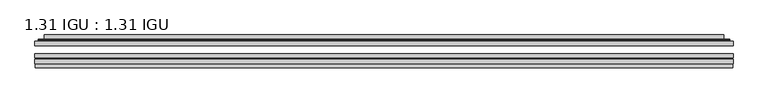
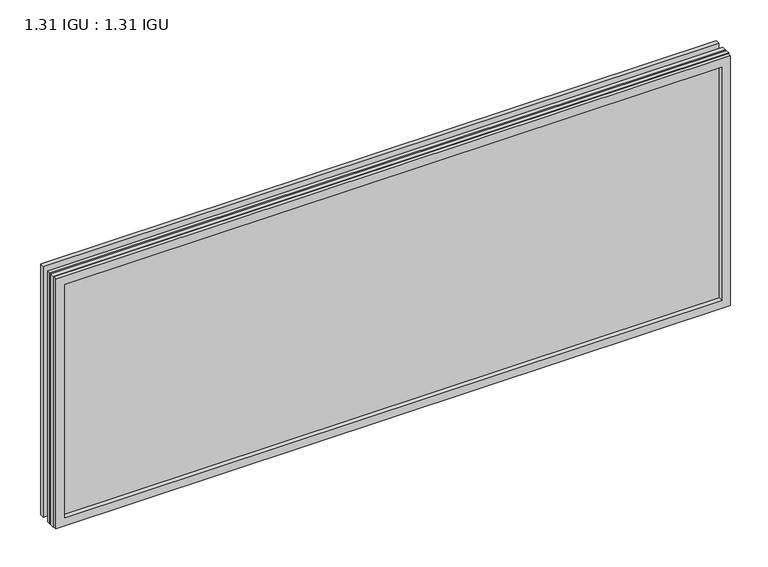
"""IFC4 building model written with IfcOpenShell, lengths in millimetres: plate geometry, 1.31 IGU : 1.31 IGU."""

from ifc_helpers import new_model, si_unit, frame, origin, place, context, project, spatial, polyline, ellipse_curve, outline, extrude, faceted_brep, source, transform, mapped, element, save
from ifc_brep_helpers import plane_surface, cylinder_surface, advanced_brep


def plate_1_31_igu_1_31_igu_0f397268(model_context):
    return source(origin(), model_context, "Body", "SolidModel", [
        extrude(outline(polyline([(525.4769462, -63.59525), (525.4769462, -69.94525), (-525.4627713, -69.94525), (-525.4627713, -63.59525), (525.4769462, -63.59525)])), frame((0.0, 0.0, -14.2875), z_axis=(0.0, 0.0, 1.0), x_axis=(1.0, 0.0, 0.0)), (0.0, 0.0, 1.0), 412.7537979),
        extrude(outline(polyline([(-525.4627713, -78.58125), (-525.4627713, -72.230745), (525.4769462, -72.230745), (525.4769462, -78.58125), (-525.4627713, -78.58125)])), frame((0.0, 0.0, -14.2875), z_axis=(0.0, 0.0, 1.0), x_axis=(1.0, 0.0, 0.0)), (0.0, 0.0, 1.0), 412.7537979),
        extrude(outline(polyline([(525.4769462, -45.25645), (525.4769462, -51.60645), (-525.4627713, -51.60645), (-525.4627713, -45.25645), (525.4769462, -45.25645)])), frame((0.0, 0.0, -14.2875), z_axis=(0.0, 0.0, 1.0), x_axis=(1.0, 0.0, 0.0)), (0.0, 0.0, 1.0), 412.7537979),
        faceted_brep([(-524.7625855, -84.93125, 397.7623142), (-524.7625855, -78.58125, 397.7623142), (-524.7625855, -78.58125, -13.5873142), (-524.7625855, -84.93125, -13.5873142), (524.7625855, -78.58125, -13.5873142), (524.7625855, -84.93125, -13.5873142), (524.7625855, -78.58125, 397.7623142), (524.7625855, -84.93125, 397.7623142), (-510.2775272, -78.58125, 0.8977441), (510.2775272, -78.58125, 0.8977441), (510.2775272, -78.58125, 383.2772559), (-510.2775272, -78.58125, 383.2772559), (-511.1699615, -84.93125, 384.1696902), (511.1699615, -84.93125, 384.1696902), (511.1699615, -84.93125, 0.0053098), (-511.1699615, -84.93125, 0.0053098)], [[[0, 1, 2, 3]], [[3, 2, 4, 5]], [[5, 4, 6, 7]], [[1, 6, 4, 2], [8, 9, 10, 11]], [[7, 6, 1, 0]], [[3, 5, 7, 0], [12, 13, 14, 15]], [[11, 12, 15, 8]], [[8, 15, 14, 9]], [[9, 14, 13, 10]], [[10, 13, 12, 11]]]),
        advanced_brep(
        [(-518.2214903, -45.25645, 391.2212191), (-520.5756957, -43.2667833, 393.5754244), (-520.5756957, -43.2667833, -9.4004244), (-518.2214903, -45.25645, -7.046219), (-509.1471652, -41.416413, 382.1468939), (-504.2123334, -45.25645, 377.2120621), (-504.2123334, -45.25645, 6.9629379), (-509.1471652, -41.416413, 2.0281061), (-510.1791929, -36.0191819, 383.1789217), (-510.1791929, -36.0191819, 0.9960783), (-511.1698497, -35.6202069, 384.1695784), (-511.1698497, -35.6202069, 0.0054216), (-511.1698497, -42.08145, 384.1695784), (-511.1698497, -42.08145, 0.0054216), (-519.5739062, -42.08145, 392.5736349), (-519.5739062, -42.08145, -8.3986349), (520.5756957, -43.2667833, -9.4004244), (518.2214903, -45.25645, -7.046219), (504.2123334, -45.25645, 6.9629379), (509.1471652, -41.416413, 2.0281061), (510.1791929, -36.0191819, 0.9960783), (511.1698497, -35.6202069, 0.0054216), (511.1698497, -42.08145, 0.0054216), (519.5739062, -42.08145, -8.3986349), (520.5756957, -43.2667833, 393.5754244), (518.2214903, -45.25645, 391.2212191), (504.2123334, -45.25645, 377.2120621), (509.1471652, -41.416413, 382.1468939), (510.1791929, -36.0191819, 383.1789217), (511.1698497, -35.6202069, 384.1695784), (511.1698497, -42.08145, 384.1695784), (519.5739062, -42.08145, 392.5736349)],
        [
            (0, 1, ellipse_curve(frame((-518.2214903, -42.86885, 391.2212191), z_axis=(-0.7071067811865475, 0.0, -0.7071067811865475), x_axis=(-0.7071067811865474, 0.0, 0.7071067811865476)), 3.3765763, 2.3876)),
            (1, 2),
            (2, 3, ellipse_curve(frame((-518.2214903, -42.86885, -7.046219), z_axis=(-0.7071067811865475, 0.0, 0.7071067811865475), x_axis=(0.7071067811865474, 0.0, 0.7071067811865476)), 3.3765763, 2.3876)),
            (3, 0),
            (4, 5),
            (5, 6),
            (6, 7),
            (7, 4),
            (8, 4),
            (7, 9),
            (9, 8),
            (10, 8, ellipse_curve(frame((-510.8028931, -36.1384423, 383.8026219), z_axis=(-0.7071067811865475, 0.0, -0.7071067811865475), x_axis=(-0.7071067811865474, 0.0, 0.7071067811865476)), 0.8980256, 0.635)),
            (9, 11, ellipse_curve(frame((-510.8028931, -36.1384423, 0.3723781), z_axis=(-0.7071067811865475, 0.0, 0.7071067811865475), x_axis=(0.7071067811865474, 0.0, 0.7071067811865476)), 0.8980256, 0.635)),
            (11, 10),
            (12, 10),
            (11, 13),
            (13, 12),
            (1, 14, ellipse_curve(frame((-519.5739062, -43.09745, 392.5736349), z_axis=(-0.7071067811865475, 0.0, -0.7071067811865475), x_axis=(-0.7071067811865474, 0.0, 0.7071067811865476)), 1.436841, 1.016)),
            (14, 15),
            (15, 2, ellipse_curve(frame((-519.5739062, -43.09745, -8.3986349), z_axis=(-0.7071067811865475, 0.0, 0.7071067811865475), x_axis=(0.7071067811865474, 0.0, 0.7071067811865476)), 1.436841, 1.016)),
            (2, 16),
            (16, 17, ellipse_curve(frame((518.2214903, -42.86885, -7.046219), z_axis=(-0.7071067811865475, 0.0, -0.7071067811865475), x_axis=(-0.7071067811865476, 0.0, 0.7071067811865474)), 3.3765763, 2.3876)),
            (17, 3),
            (6, 18),
            (18, 19),
            (19, 7),
            (19, 20),
            (20, 9),
            (20, 21, ellipse_curve(frame((510.8028931, -36.1384423, 0.3723781), z_axis=(-0.7071067811865475, 0.0, -0.7071067811865475), x_axis=(-0.7071067811865476, 0.0, 0.7071067811865474)), 0.8980256, 0.635)),
            (21, 11),
            (21, 22),
            (22, 13),
            (15, 23),
            (23, 16, ellipse_curve(frame((519.5739062, -43.09745, -8.3986349), z_axis=(-0.7071067811865475, 0.0, -0.7071067811865475), x_axis=(-0.7071067811865476, 0.0, 0.7071067811865474)), 1.436841, 1.016)),
            (16, 24),
            (24, 25, ellipse_curve(frame((518.2214903, -42.86885, 391.2212191), z_axis=(0.7071067811865475, 0.0, -0.7071067811865475), x_axis=(-0.7071067811865474, 0.0, -0.7071067811865476)), 3.3765763, 2.3876)),
            (25, 17),
            (18, 26),
            (26, 27),
            (27, 19),
            (27, 28),
            (28, 20),
            (28, 29, ellipse_curve(frame((510.8028931, -36.1384423, 383.8026219), z_axis=(0.7071067811865475, 0.0, -0.7071067811865475), x_axis=(-0.7071067811865474, 0.0, -0.7071067811865476)), 0.8980256, 0.635)),
            (29, 21),
            (29, 30),
            (30, 22),
            (23, 31),
            (31, 24, ellipse_curve(frame((519.5739062, -43.09745, 392.5736349), z_axis=(0.7071067811865475, 0.0, -0.7071067811865475), x_axis=(-0.7071067811865474, 0.0, -0.7071067811865476)), 1.436841, 1.016)),
            (24, 1),
            (0, 25),
            (5, 26),
            (4, 27),
            (8, 28),
            (10, 29),
            (12, 30),
            (14, 31),
        ],
        [
            cylinder_surface(frame((-518.2214903, -42.86885, 415.925), z_axis=(0.0, 0.0, 1.0), x_axis=(-1.0, 0.0, 0.0)), 2.3876),
            plane_surface(frame((-504.2123334, -45.25645, 377.2120621), z_axis=(0.6141233906514794, 0.7892100234124821, 0.0), x_axis=(0.0, 0.0, -1.0))),
            plane_surface(frame((-509.1471652, -41.416413, 382.1468939), z_axis=(0.9822050625507729, 0.18781164793386074, 0.0), x_axis=(0.0, 0.0, -1.0))),
            cylinder_surface(frame((-510.8028931, -36.1384423, 415.925), z_axis=(0.0, 0.0, 1.0), x_axis=(-1.0, 0.0, 0.0)), 0.635),
            plane_surface(frame((-511.1698497, -35.6202069, 384.1695784), z_axis=(-1.0, 0.0, 0.0), x_axis=(0.0, 0.0, -1.0))),
            cylinder_surface(frame((-519.5739062, -43.09745, 415.925), z_axis=(0.0, 0.0, 1.0), x_axis=(-1.0, 0.0, 0.0)), 1.016),
            cylinder_surface(frame((-542.9252713, -42.86885, -7.046219), z_axis=(-1.0, 0.0, 0.0), x_axis=(0.0, 0.0, -1.0)), 2.3876),
            plane_surface(frame((-504.2123334, -45.25645, 6.9629379), z_axis=(0.0, 0.7892100234124841, 0.6141233906514768), x_axis=(1.0, 0.0, 0.0))),
            plane_surface(frame((-509.1471652, -41.416413, 2.0281061), z_axis=(0.0, 0.18781164793386393, 0.9822050625507723), x_axis=(1.0, 0.0, 0.0))),
            cylinder_surface(frame((-542.9252713, -36.1384423, 0.3723781), z_axis=(-1.0, 0.0, 0.0), x_axis=(0.0, 0.0, -1.0)), 0.635),
            plane_surface(frame((-511.1698497, -35.6202069, 0.0054216), z_axis=(0.0, 0.0, -1.0), x_axis=(1.0, 0.0, 0.0))),
            cylinder_surface(frame((-542.9252713, -43.09745, -8.3986349), z_axis=(-1.0, 0.0, 0.0), x_axis=(0.0, 0.0, -1.0)), 1.016),
            cylinder_surface(frame((518.2214903, -42.86885, -31.75), z_axis=(0.0, 0.0, -1.0), x_axis=(1.0, 0.0, 0.0)), 2.3876),
            plane_surface(frame((504.2123334, -45.25645, 6.9629379), z_axis=(-0.6141233906514743, 0.7892100234124861, 0.0), x_axis=(0.0, 0.0, 1.0))),
            plane_surface(frame((509.1471652, -41.416413, 2.0281061), z_axis=(-0.9822050625507718, 0.18781164793386712, 0.0), x_axis=(0.0, 0.0, 1.0))),
            cylinder_surface(frame((510.8028931, -36.1384423, -31.75), z_axis=(0.0, 0.0, -1.0), x_axis=(1.0, 0.0, 0.0)), 0.635),
            plane_surface(frame((511.1698497, -35.6202069, 0.0054216), z_axis=(1.0, 0.0, 0.0), x_axis=(0.0, 0.0, 1.0))),
            cylinder_surface(frame((519.5739062, -43.09745, -31.75), z_axis=(0.0, 0.0, -1.0), x_axis=(1.0, 0.0, 0.0)), 1.016),
            cylinder_surface(frame((542.9252713, -42.86885, 391.2212191), z_axis=(1.0, 0.0, 0.0), x_axis=(0.0, 0.0, 1.0)), 2.3876),
            plane_surface(frame((518.2214903, -45.25645, 391.2212191), z_axis=(0.0, -1.0, 0.0), x_axis=(-1.0, 0.0, 0.0))),
            plane_surface(frame((504.2123334, -45.25645, 377.2120621), z_axis=(0.0, 0.7892100234124841, -0.6141233906514768), x_axis=(-1.0, 0.0, 0.0))),
            plane_surface(frame((509.1471652, -41.416413, 382.1468939), z_axis=(0.0, 0.18781164793386393, -0.9822050625507723), x_axis=(-1.0, 0.0, 0.0))),
            cylinder_surface(frame((542.9252713, -36.1384423, 383.8026219), z_axis=(1.0, 0.0, 0.0), x_axis=(0.0, 0.0, 1.0)), 0.635),
            plane_surface(frame((511.1698497, -35.6202069, 384.1695784), z_axis=(0.0, 0.0, 1.0), x_axis=(-1.0, 0.0, 0.0))),
            plane_surface(frame((511.1698497, -42.08145, 384.1695784), z_axis=(0.0, 1.0, 0.0), x_axis=(-1.0, 0.0, 0.0))),
            cylinder_surface(frame((542.9252713, -43.09745, 392.5736349), z_axis=(1.0, 0.0, 0.0), x_axis=(0.0, 0.0, 1.0)), 1.016),
        ],
        [
            (0, [[1, 2, 3, 4]]),
            (1, [[5, 6, 7, 8]]),
            (2, [[9, -8, 10, 11]]),
            (3, [[12, -11, 13, 14]]),
            (4, [[15, -14, 16, 17]]),
            (5, [[18, 19, 20, -2]]),
            (6, [[-3, 21, 22, 23]]),
            (7, [[-7, 24, 25, 26]]),
            (8, [[-10, -26, 27, 28]]),
            (9, [[-13, -28, 29, 30]]),
            (10, [[-16, -30, 31, 32]]),
            (11, [[-20, 33, 34, -21]]),
            (12, [[-22, 35, 36, 37]]),
            (13, [[-25, 38, 39, 40]]),
            (14, [[-27, -40, 41, 42]]),
            (15, [[-29, -42, 43, 44]]),
            (16, [[-31, -44, 45, 46]]),
            (17, [[-34, 47, 48, -35]]),
            (18, [[-36, 49, -1, 50]]),
            (19, [[-23, -37, -50, -4], [51, -38, -24, -6]]),
            (20, [[-39, -51, -5, 52]]),
            (21, [[-41, -52, -9, 53]]),
            (22, [[-43, -53, -12, 54]]),
            (23, [[-45, -54, -15, 55]]),
            (24, [[56, -47, -33, -19], [-32, -46, -55, -17]]),
            (25, [[-48, -56, -18, -49]]),
        ],
    ),
    ])


if __name__ == "__main__":
    model = new_model("IFC4")
    model_context = context("Model", 3, world=origin())
    ifc_project = project(units=[si_unit("LENGTHUNIT", "METRE", prefix="MILLI")], contexts=[model_context])
    site = spatial("IfcSite", under=ifc_project)
    building = spatial("IfcBuilding", under=site)
    placement = place(None, origin())
    plate_1_31_igu_1_31_igu_shape = plate_1_31_igu_1_31_igu_0f397268(model_context)
    element("IfcPlate", 1, ObjectType="1.31 IGU : 1.31 IGU", at=placement, inside=building, context=model_context, shape_type="MappedRepresentation", body=[
        mapped(plate_1_31_igu_1_31_igu_shape, transform((0.0, 0.0, 0.0), x_axis=(1.0, 0.0, 0.0), y_axis=(0.0, 1.0, 0.0), z_axis=(0.0, 0.0, 1.0))),
    ])
    save(model, "model.ifc")
